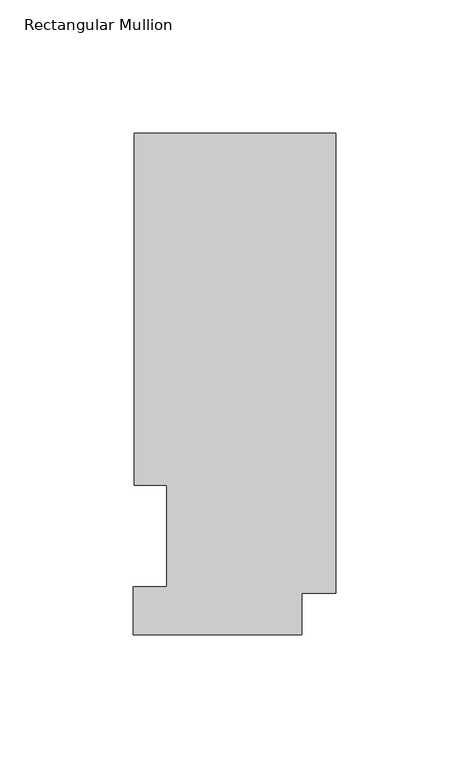
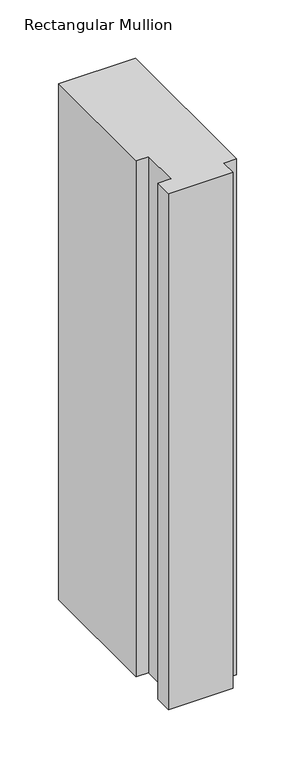
"""IFC4 building model written with IfcOpenShell, lengths in millimetres: member geometry, Rectangular Mullion."""

from ifc_helpers import new_model, si_unit, frame, origin, place, context, project, spatial, polyline, outline, extrude, source, transform, mapped, element, save


def rectangular_mullion_1733a90c(model_context):
    return source(origin(), model_context, "Body", "SweptSolid", [
        extrude(outline(polyline([(-12.7, 0.5199063), (-76.2, 0.5199063), (-76.2, 18.5539063), (-63.5, 18.5539062), (-63.5, 56.6539062), (-75.7936, 56.6539063), (-75.7936, 189.0895063), (0.0, 189.0895063), (0.0, 16.1663063), (-12.7, 16.1663063), (-12.7, 0.5199063)])), frame((0.0, 0.0, -538.657117), z_axis=(0.0, 0.0, 1.0), x_axis=(1.0, 0.0, 0.0)), (0.0, 0.0, 1.0), 538.657117),
    ])


if __name__ == "__main__":
    model = new_model("IFC4")
    model_context = context("Model", 3, world=origin())
    ifc_project = project(units=[si_unit("LENGTHUNIT", "METRE", prefix="MILLI")], contexts=[model_context])
    site = spatial("IfcSite", under=ifc_project)
    building = spatial("IfcBuilding", under=site)
    placement = place(None, origin())
    rectangular_mullion_shape = rectangular_mullion_1733a90c(model_context)
    element("IfcMember", 1, ObjectType="Rectangular Mullion", at=placement, inside=building, context=model_context, shape_type="MappedRepresentation", body=[
        mapped(rectangular_mullion_shape, transform((0.0, 0.0, 0.0), x_axis=(1.0, 0.0, 0.0), y_axis=(0.0, 1.0, 0.0), z_axis=(0.0, 0.0, 1.0))),
    ])
    save(model, "model.ifc")
